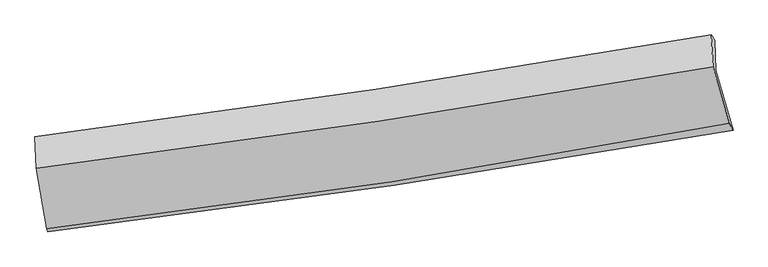
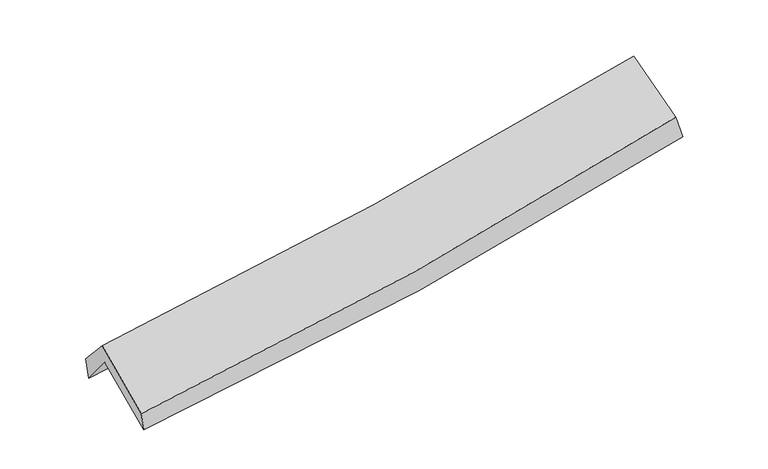
"""IFC4 building model written with IfcOpenShell, lengths in millimetres: proxy geometry."""

from ifc_helpers import new_model, si_unit, frame, origin, place, context, project, spatial, source, transform, mapped, element, save
from ifc_brep_helpers import plane_surface, spline_curve, spline_surface, advanced_brep


def generic_models_e96978b0(model_context):
    return source(origin(), model_context, "Body", "AdvancedBrep", [
        advanced_brep(
        [(-2815.2572124, -2508.513035, 1472.8003071), (-2900.2505097, -1995.5774819, 1893.7396706), (2815.7964305, -1147.2637998, 2392.5065343), (2961.3414886, -1653.3577026, 1969.0388038), (-2910.2251025, -1741.1958922, 1575.0183495), (2806.7240788, -892.3976168, 2073.4341251), (-2925.5732719, -1709.0160778, 1765.6222603), (2777.8232289, -849.51978, 2246.6539972), (-2912.5829144, -1972.5483086, 2052.2521899), (2792.6547459, -1118.0391474, 2539.1114569), (-2827.537921, -2485.7958485, 1631.0567951), (2928.4168587, -1592.5416275, 2147.8606759)],
        [
            (0, 1),
            (1, 2, spline_curve(3, [(-2900.2505097, -1995.5774819, 1893.7396706), (-1934.330268556, -1880.223085283, 1945.869697678), (-971.731007471, -1751.2653369, 2013.898949496), (933.526529726, -1468.119541774, 2180.592355387), (1876.276248501, -1314.306063171, 2278.818724404), (2815.7964305, -1147.2637998, 2392.5065343)], [4, 2, 4], [0.0, 9.634345408489109, 19.135124349439558])),
            (2, 3),
            (3, 0, spline_curve(3, [(2961.3414886, -1653.3577026, 1969.0388038), (2013.317657845, -1820.133820334, 1841.812405131), (1061.310654092, -1974.375503689, 1736.9772566), (-864.109464129, -2259.782188384, 1570.930425285), (-1837.63536091, -2390.592282881, 1510.352741342), (-2815.2572124, -2508.513035, 1472.8003071)], [4, 2, 4], [0.0, 9.500778940950449, 19.135124349439558])),
            (1, 4),
            (4, 5, spline_curve(3, [(-2910.2251025, -1741.1958922, 1575.0183495), (-1943.989682, -1629.898629272, 1632.263993696), (-981.157691033, -1502.914339228, 1702.803533355), (924.398323068, -1219.549639241, 1869.308172155), (1867.216059028, -1063.601170814, 1964.907224424), (2806.7240788, -892.3976168, 2073.4341251)], [4, 2, 4], [0.0, 9.584432243718776, 19.035989994788665])),
            (5, 2),
            (4, 6),
            (6, 7, spline_curve(3, [(-2925.5732719, -1709.0160778, 1765.6222603), (-1963.16009439, -1586.480589567, 1819.69438355), (-1003.371096749, -1453.012418405, 1887.189274103), (897.688813565, -1166.212621432, 2047.902781701), (1839.031982859, -1013.182026803, 2140.751803337), (2777.8232289, -849.51978, 2246.6539972)], [4, 2, 4], [0.0, 9.57380809004203, 19.014888976183606])),
            (7, 5),
            (6, 8),
            (8, 9, spline_curve(3, [(-2912.5829144, -1972.5483086, 2052.2521899), (-1949.763200616, -1852.504161546, 2109.087707638), (-989.616774242, -1720.694382767, 2178.447081554), (912.055504023, -1435.534029471, 2341.078347764), (1853.654964136, -1282.507421289, 2434.005396163), (2792.6547459, -1118.0391474, 2539.1114569)], [4, 2, 4], [0.0, 9.563790796109648, 18.994993263821858])),
            (9, 7),
            (8, 10),
            (10, 11, spline_curve(3, [(-2827.537921, -2485.7958485, 1631.0567951), (-1852.706385077, -2369.563325769, 1684.386799459), (-882.310334879, -2236.372069585, 1754.535993972), (1036.219127409, -1938.153704428, 1927.267069734), (1984.474670339, -1773.593554099, 2029.385835812), (2928.4168587, -1592.5416275, 2147.8606759)], [4, 2, 4], [0.0, 9.61400324416929, 19.094722035915122])),
            (11, 9),
            (10, 0),
            (3, 11),
        ],
        [
            spline_surface(3, 3, [[(-2815.2572124, -2508.513035, 1472.8003071), (-1837.635360787, -2390.592282781, 1510.352741424), (-864.109464226, -2259.782188462, 1570.930425257), (1061.310654188, -1974.375503612, 1736.977256628), (2013.317657955, -1820.133820433, 1841.812404978), (2961.3414886, -1653.3577026, 1969.0388038)], [(-2843.588311498, -2337.534517324, 1613.113428282), (-1869.866996751, -2220.469217009, 1655.525060148), (-899.983311927, -2090.276571245, 1718.586600038), (1018.715946038, -1805.62351634, 1884.848956154), (1967.637188123, -1651.524567961, 1987.481178102), (2912.826469245, -1484.65973499, 2110.194713947)], [(-2871.919410602, -2166.555999576, 1753.426549418), (-1902.098632722, -2050.346151165, 1800.697378827), (-935.857159704, -1920.770954062, 1866.242774859), (976.121237811, -1636.871529102, 2032.720655719), (1921.956718256, -1482.91531552, 2133.149951284), (2864.311449855, -1315.96176741, 2251.350624153)], [(-2900.2505097, -1995.5774819, 1893.7396706), (-1934.330268686, -1880.223085393, 1945.869697552), (-971.731007404, -1751.265336845, 2013.89894964), (933.526529661, -1468.119541829, 2180.592355245), (1876.276248423, -1314.306063047, 2278.818724408), (2815.7964305, -1147.2637998, 2392.5065343)]], [4, 4], [4, 2, 4], [0.0, 2.2439137063990566], [0.0, 9.634345408489109, 19.135124349439558]),
            spline_surface(3, 3, [[(-2900.2505097, -1995.5774819, 1893.7396706), (-1934.330268686, -1880.223085393, 1945.869697552), (-971.731007404, -1751.265336845, 2013.89894964), (933.526529661, -1468.119541829, 2180.592355245), (1876.276248423, -1314.306063047, 2278.818724408), (2815.7964305, -1147.2637998, 2392.5065343)], [(-2903.575373962, -1910.783618661, 1787.499230237), (-1937.550073116, -1796.78160001, 1841.334462986), (-974.873235236, -1668.481670977, 1910.200477589), (930.483794089, -1385.26290764, 2076.830960863), (1873.25618526, -1230.737765653, 2174.181557725), (2812.772313263, -1062.308405488, 2286.149064575)], [(-2906.900238238, -1825.989755439, 1681.258789863), (-1940.769877562, -1713.340114645, 1736.79922841), (-978.015463071, -1585.698005091, 1806.5020055), (927.441058512, -1302.406273434, 1973.069566444), (1870.236122107, -1147.169468194, 2069.544391016), (2809.748196037, -977.353011112, 2179.791594825)], [(-2910.2251025, -1741.1958922, 1575.0183495), (-1943.989681992, -1629.898629261, 1632.263993845), (-981.157690902, -1502.914339223, 1702.803533449), (924.39832294, -1219.549639245, 1869.308172062), (1867.216058944, -1063.601170799, 1964.907224334), (2806.7240788, -892.3976168, 2073.4341251)]], [4, 4], [4, 2, 4], [0.0, 1.3068149950425594], [0.0, 9.584432243718776, 19.035989994788665]),
            spline_surface(3, 3, [[(-2910.2251025, -1741.1958922, 1575.0183495), (-1943.989681992, -1629.898629261, 1632.263993845), (-981.157690902, -1502.914339223, 1702.803533449), (924.39832294, -1219.549639245, 1869.308172062), (1867.216058944, -1063.601170799, 1964.907224334), (2806.7240788, -892.3976168, 2073.4341251)], [(-2915.341158969, -1730.469287396, 1638.552986418), (-1950.379819487, -1615.425949385, 1694.740790423), (-988.562159508, -1486.280365609, 1764.265447009), (915.495153141, -1201.77063335, 1928.839708596), (1857.82136686, -1046.794789483, 2023.52208403), (2797.090462147, -878.105004523, 2131.174082453)], [(-2920.457215431, -1719.742682604, 1702.087623382), (-1956.769956976, -1600.953269519, 1757.217587047), (-995.966628117, -1469.646391943, 1825.727360576), (906.591983338, -1183.991627403, 1988.371245135), (1848.426674836, -1029.988408197, 2082.136943767), (2787.456845553, -863.812392277, 2188.914039847)], [(-2925.5732719, -1709.0160778, 1765.6222603), (-1963.160094472, -1586.480589643, 1819.694383626), (-1003.371096723, -1453.012418329, 1887.189274137), (897.688813539, -1166.212621507, 2047.902781668), (1839.031982752, -1013.182026882, 2140.751803463), (2777.8232289, -849.51978, 2246.6539972)]], [4, 4], [4, 2, 4], [0.0, 0.6243276423580125], [0.0, 9.57380809004203, 19.014888976183606]),
            spline_surface(3, 3, [[(-2925.5732719, -1709.0160778, 1765.6222603), (-1963.160094472, -1586.480589643, 1819.694383626), (-1003.371096723, -1453.012418329, 1887.189274137), (897.688813539, -1166.212621507, 2047.902781668), (1839.031982752, -1013.182026882, 2140.751803463), (2777.8232289, -849.51978, 2246.6539972)], [(-2921.243152755, -1796.860154733, 1861.165570184), (-1958.694463186, -1675.155113631, 1916.158824974), (-998.786322523, -1542.239739782, 1984.275209954), (902.477710303, -1255.986424173, 2145.627970337), (1843.906309892, -1102.957158365, 2238.503001004), (2782.767067915, -939.026235778, 2344.139817108)], [(-2916.913033545, -1884.704231667, 1956.708880016), (-1954.228831835, -1763.82963762, 2012.62326627), (-994.201548285, -1631.467061257, 2081.3611458), (907.266607104, -1345.760226862, 2243.353159034), (1848.780636988, -1192.732289916, 2336.254198521), (2787.710906885, -1028.532691622, 2441.625636992)], [(-2912.5829144, -1972.5483086, 2052.2521899), (-1949.763200549, -1852.504161608, 2109.087707619), (-989.616774085, -1720.694382709, 2178.447081617), (912.055503869, -1435.534029528, 2341.078347703), (1853.654964128, -1282.507421399, 2434.005396062), (2792.6547459, -1118.0391474, 2539.1114569)]], [4, 4], [4, 2, 4], [0.0, 1.3027339686523747], [0.0, 9.563790796109648, 18.994993263821858]),
            spline_surface(3, 3, [[(-2912.5829144, -1972.5483086, 2052.2521899), (-1949.763200549, -1852.504161608, 2109.087707619), (-989.616774085, -1720.694382709, 2178.447081617), (912.055503869, -1435.534029528, 2341.078347703), (1853.654964128, -1282.507421399, 2434.005396062), (2792.6547459, -1118.0391474, 2539.1114569)], [(-2884.234583254, -2143.630821889, 1911.853724962), (-1917.410928723, -2024.857216361, 1967.520738257), (-953.847961047, -1892.586944953, 2037.143385723), (953.443378377, -1603.073921201, 2203.141255053), (1897.26153291, -1446.202798945, 2299.132209256), (2837.908783503, -1276.206640781, 2408.694529895)], [(-2855.886252146, -2314.713335211, 1771.455260038), (-1885.058656934, -2197.210271147, 1825.953768911), (-918.079147955, -2064.479507209, 1895.839689837), (994.831252939, -1770.613812885, 2065.204162412), (1940.868101683, -1609.898176447, 2164.259022467), (2883.162821097, -1434.374134119, 2278.277602905)], [(-2827.537921, -2485.7958485, 1631.0567951), (-1852.706385108, -2369.563325899, 1684.38679955), (-882.310334917, -2236.372069453, 1754.535993943), (1036.219127447, -1938.153704558, 1927.267069763), (1984.474670465, -1773.593553992, 2029.385835661), (2928.4168587, -1592.5416275, 2147.8606759)]], [4, 4], [4, 2, 4], [0.0, 2.196435916389892], [0.0, 9.61400324416929, 19.094722035915122]),
            spline_surface(3, 3, [[(-2827.537921, -2485.7958485, 1631.0567951), (-1852.706385108, -2369.563325899, 1684.38679955), (-882.310334917, -2236.372069453, 1754.535993943), (1036.219127447, -1938.153704558, 1927.267069763), (1984.474670465, -1773.593553992, 2029.385835661), (2928.4168587, -1592.5416275, 2147.8606759)], [(-2823.444351462, -2493.368243997, 1578.304632418), (-1847.68271033, -2376.57297819, 1626.375446825), (-876.243378018, -2244.175442456, 1693.334137729), (1044.582969696, -1950.227637576, 1863.837132066), (1994.088999623, -1789.106976146, 1966.861358789), (2939.391735328, -1612.81365254, 2088.253385222)], [(-2819.350781938, -2500.940639503, 1525.552469782), (-1842.659035565, -2383.58263049, 1568.364094148), (-870.176421126, -2251.978815459, 1632.132281471), (1052.946811939, -1962.301570594, 1800.407194325), (2003.703328797, -1804.62039828, 1904.33688185), (2950.366611972, -1633.08567756, 2028.646094478)], [(-2815.2572124, -2508.513035, 1472.8003071), (-1837.635360787, -2390.592282781, 1510.352741424), (-864.109464226, -2259.782188462, 1570.930425257), (1061.310654188, -1974.375503612, 1736.977256628), (2013.317657955, -1820.133820433, 1841.812404978), (2961.3414886, -1653.3577026, 1969.0388038)]], [4, 4], [4, 2, 4], [0.0, 0.6249276072267509], [0.0, 9.6739788331632, 19.213841737842994]),
            plane_surface(frame((2847.1261386, -1208.853279, 2228.1009322), z_axis=(0.9761843851902066, 0.18219111550597833, 0.11777284721660461), x_axis=(0.2155602936267216, -0.7534052898170187, -0.6212199522611098))),
            plane_surface(frame((-2881.9044887, -2068.7744407, 1731.7482621), z_axis=(-0.99156121075354, -0.11466414432320035, -0.06048552996876408), x_axis=(-0.07658707390106054, 0.14167283790108856, 0.9869464155223046))),
        ],
        [
            (0, [[1, 2, 3, 4]]),
            (1, [[5, 6, 7, -2]]),
            (2, [[8, 9, 10, -6]]),
            (3, [[11, 12, 13, -9]]),
            (4, [[14, 15, 16, -12]]),
            (5, [[17, -4, 18, -15]]),
            (6, [[-16, -18, -3, -7, -10, -13]]),
            (7, [[-17, -14, -11, -8, -5, -1]]),
        ],
    ),
    ])


if __name__ == "__main__":
    model = new_model("IFC4")
    model_context = context("Model", 3, world=origin())
    ifc_project = project(units=[si_unit("LENGTHUNIT", "METRE", prefix="MILLI")], contexts=[model_context])
    site = spatial("IfcSite", under=ifc_project)
    building = spatial("IfcBuilding", under=site)
    placement = place(None, origin())
    generic_models_shape = generic_models_e96978b0(model_context)
    element("IfcBuildingElementProxy", 1, Name="Generic Models", at=placement, inside=building, context=model_context, shape_type="MappedRepresentation", body=[
        mapped(generic_models_shape, transform((0.0, 0.0, 0.0), x_axis=(1.0, 0.0, 0.0), y_axis=(0.0, 1.0, 0.0), z_axis=(0.0, 0.0, 1.0))),
    ])
    save(model, "model.ifc")
